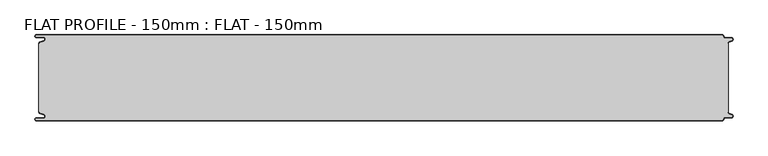
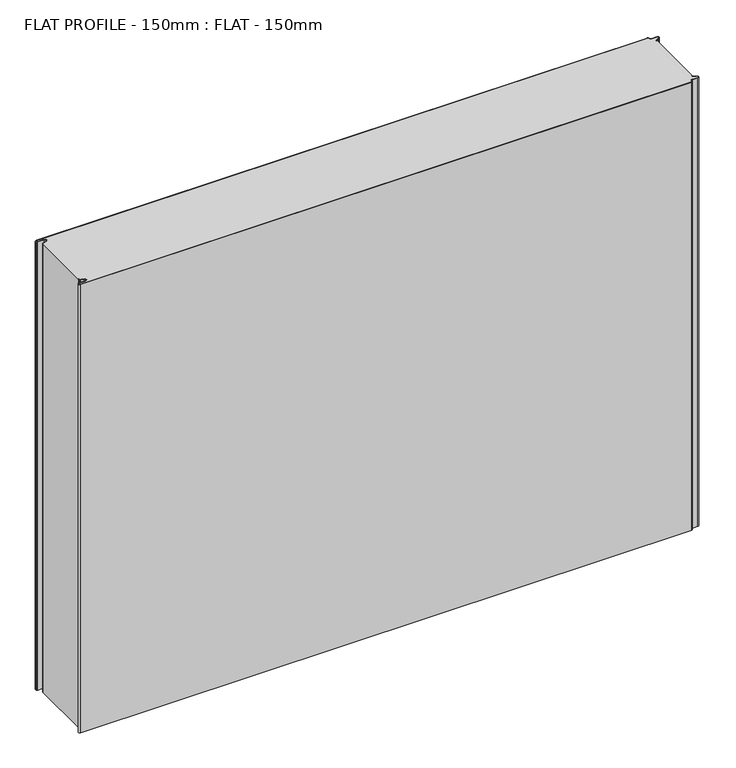
"""IFC4 building model written with IfcOpenShell, lengths in millimetres: proxy geometry, FLAT PROFILE - 150mm : FLAT - 150mm."""

from ifc_helpers import new_model, si_unit, point, frame_2d, origin, origin_with_axes, place, context, project, spatial, polyline, circle_curve, trimmed, segment, composite_curve, outline, extrude, source, transform, mapped, element, save


def flat_profile_150mm_flat_150mm_0049a792(model_context):
    return source(origin(), model_context, "Body", "SweptSolid", [
        extrude(outline(composite_curve([segment(polyline([(-591.3794419, 61.1128969), (-589.3904999, 61.9138856), (-583.8995097, 63.9124426)]), True, "CONTINUOUS"), segment(trimmed(circle_curve(frame_2d((-585.2882153, 67.3376495)), 3.6960175), [point((-583.8995097, 63.9124426))], [point((-584.9273771, 71.0160107))], True, "CARTESIAN"), True, "CONTINUOUS"), segment(polyline([(-584.9273771, 71.0160107), (-597.3733883, 71.0160107)]), True, "CONTINUOUS"), segment(trimmed(circle_curve(frame_2d((-597.4921978, 72.511298)), 1.5), [point((-597.3733883, 71.0160107))], [point((-597.3084562, 74.0000019))], False, "CARTESIAN"), True, "CONTINUOUS"), segment(polyline([(-597.3084562, 74.0000019), (596.902372, 74.0000019)]), True, "CONTINUOUS"), segment(trimmed(circle_curve(frame_2d((596.9047345, 72.4926459)), 1.5073578), [point((596.902372, 74.0000019))], [point((598.4115951, 72.4539337))], False, "CARTESIAN"), True, "CONTINUOUS"), segment(trimmed(circle_curve(frame_2d((601.9112919, 72.5000019)), 3.5), [point((598.4115951, 72.4539337))], [point((601.9112919, 69.0000019))], True, "CARTESIAN"), True, "CONTINUOUS"), segment(polyline([(601.9112919, 69.0000019), (612.3116271, 69.0000019)]), True, "CONTINUOUS"), segment(trimmed(circle_curve(frame_2d((612.3116271, 66.9000019)), 2.1), [point((612.3116271, 69.0000019))], [point((613.0435993, 64.9316988))], False, "CARTESIAN"), True, "CONTINUOUS"), segment(polyline([(613.0435993, 64.9316988), (610.7828028, 64.1063001), (607.8546835, 62.9154156)]), True, "CONTINUOUS"), segment(trimmed(circle_curve(frame_2d((608.9399875, 60.2468953)), 2.8807786), [point((607.8546835, 62.9154156))], [point((606.0682599, 60.475074))], True, "CARTESIAN"), True, "CONTINUOUS"), segment(polyline([(606.0682599, 60.475074), (606.0107004, 59.2522232), (607.0118076, 59.2522232), (607.0118076, -59.2522195), (606.0107004, -59.2522195), (606.0682599, -60.4750703)]), True, "CONTINUOUS"), segment(trimmed(circle_curve(frame_2d((608.9399875, -60.2468916)), 2.8807786), [point((606.0682599, -60.4750703))], [point((607.8546835, -62.9154119))], True, "CARTESIAN"), True, "CONTINUOUS"), segment(polyline([(607.8546835, -62.9154119), (610.7828028, -64.1062964), (613.0435993, -64.9316951)]), True, "CONTINUOUS"), segment(trimmed(circle_curve(frame_2d((612.3116271, -66.8999981)), 2.1), [point((613.0435993, -64.9316951))], [point((612.3116271, -68.9999981))], False, "CARTESIAN"), True, "CONTINUOUS"), segment(polyline([(612.3116271, -68.9999981), (601.9112919, -68.9999981)]), True, "CONTINUOUS"), segment(trimmed(circle_curve(frame_2d((601.9112919, -72.4999981)), 3.5), [point((601.9112919, -68.9999981))], [point((598.4115951, -72.45393))], True, "CARTESIAN"), True, "CONTINUOUS"), segment(trimmed(circle_curve(frame_2d((596.9047345, -72.4926422)), 1.5073578), [point((598.4115951, -72.45393))], [point((596.902372, -73.9999981))], False, "CARTESIAN"), True, "CONTINUOUS"), segment(polyline([(596.902372, -73.9999981), (-597.3084562, -73.9999981)]), True, "CONTINUOUS"), segment(trimmed(circle_curve(frame_2d((-597.4921978, -72.5112943)), 1.5), [point((-597.3084562, -73.9999981))], [point((-597.3733883, -71.016007))], False, "CARTESIAN"), True, "CONTINUOUS"), segment(polyline([(-597.3733883, -71.016007), (-584.9273771, -71.016007)]), True, "CONTINUOUS"), segment(trimmed(circle_curve(frame_2d((-585.2882153, -67.3376458)), 3.6960175), [point((-584.9273771, -71.016007))], [point((-583.8995097, -63.9124389))], True, "CARTESIAN"), True, "CONTINUOUS"), segment(polyline([(-583.8995097, -63.9124389), (-589.3904999, -61.9138819), (-591.3794419, -61.1128932)]), True, "CONTINUOUS"), segment(trimmed(circle_curve(frame_2d((-591.0050311, -60.1831907)), 1.0022625), [point((-591.3794419, -61.1128932))], [point((-591.9881924, -60.3779319))], False, "CARTESIAN"), True, "CONTINUOUS"), segment(polyline([(-591.9881924, -60.3779319), (-591.9881924, -59.2522214), (-592.9881924, -59.2522214), (-592.9881924, 59.2522214), (-591.9881924, 59.2522214), (-591.9881924, 60.3779357)]), True, "CONTINUOUS"), segment(trimmed(circle_curve(frame_2d((-591.0050311, 60.1831944)), 1.0022625), [point((-591.9881924, 60.3779357))], [point((-591.3794419, 61.1128969))], False, "CARTESIAN"), True, "CONTINUOUS")], self_intersect=False)), origin_with_axes(), (0.0, 0.0, 1.0), 926.3887137),
        extrude(outline(composite_curve([segment(trimmed(circle_curve(frame_2d((-591.0050311, 60.1831944)), 1.0022625), [point((-591.3794419, 61.1128969))], [point((-591.9881924, 60.3779357))], True, "CARTESIAN"), True, "CONTINUOUS"), segment(polyline([(-591.9881924, 60.3779357), (-591.9881924, 59.2522214), (-592.9881924, 59.2522214), (-592.9881924, 60.4591051)]), True, "CONTINUOUS"), segment(trimmed(circle_curve(frame_2d((-591.0050311, 60.1831944)), 2.0022625), [point((-592.9881924, 60.4591051))], [point((-591.7530074, 62.0405007))], False, "CARTESIAN"), True, "CONTINUOUS"), segment(polyline([(-591.7530074, 62.0405007), (-589.7483949, 62.8478003), (-584.2598383, 64.8454715)]), True, "CONTINUOUS"), segment(trimmed(circle_curve(frame_2d((-585.2882153, 67.3376495)), 2.6960175), [point((-584.2598383, 64.8454715))], [point((-584.9801705, 70.0160107))], True, "CARTESIAN"), True, "CONTINUOUS"), segment(polyline([(-584.9801705, 70.0160107), (-597.3387672, 70.0160107)]), True, "CONTINUOUS"), segment(trimmed(circle_curve(frame_2d((-597.4921978, 72.511298)), 2.5), [point((-597.3387672, 70.0160107))], [point((-597.2548091, 75.0000019))], False, "CARTESIAN"), True, "CONTINUOUS"), segment(polyline([(-597.2548091, 75.0000019), (596.9016875, 75.0000019)]), True, "CONTINUOUS"), segment(trimmed(circle_curve(frame_2d((596.9047345, 72.4926459)), 2.5073578), [point((596.9016875, 75.0000019))], [point((599.4117582, 72.4517176))], False, "CARTESIAN"), True, "CONTINUOUS"), segment(trimmed(circle_curve(frame_2d((601.9112919, 72.5000019)), 2.5), [point((599.4117582, 72.4517176))], [point((601.9112919, 70.0000019))], True, "CARTESIAN"), True, "CONTINUOUS"), segment(polyline([(601.9112919, 70.0000019), (612.3116271, 70.0000019)]), True, "CONTINUOUS"), segment(trimmed(circle_curve(frame_2d((612.3116271, 66.9000019)), 3.1), [point((612.3116271, 70.0000019))], [point((613.3890842, 63.9932707))], False, "CARTESIAN"), True, "CONTINUOUS"), segment(polyline([(613.3890842, 63.9932707), (611.1427659, 63.1731578), (608.2411829, 62.0549269)]), True, "CONTINUOUS"), segment(trimmed(circle_curve(frame_2d((609.0514567, 60.1592666)), 2.0615701), [point((608.2411829, 62.0549269))], [point((607.0118076, 60.4591051))], True, "CARTESIAN"), True, "CONTINUOUS"), segment(polyline([(607.0118076, 60.4591051), (607.0118076, 59.2522232), (606.0107004, 59.2522232), (606.0682599, 60.475074)]), True, "CONTINUOUS"), segment(trimmed(circle_curve(frame_2d((608.9399875, 60.2468953)), 2.8807786), [point((606.0682599, 60.475074))], [point((607.8546835, 62.9154156))], False, "CARTESIAN"), True, "CONTINUOUS"), segment(polyline([(607.8546835, 62.9154156), (610.7828028, 64.1063001), (613.0435993, 64.9316988)]), True, "CONTINUOUS"), segment(trimmed(circle_curve(frame_2d((612.3116271, 66.9000019)), 2.1), [point((613.0435993, 64.9316988))], [point((612.3116271, 69.0000019))], True, "CARTESIAN"), True, "CONTINUOUS"), segment(polyline([(612.3116271, 69.0000019), (601.9112919, 69.0000019)]), True, "CONTINUOUS"), segment(trimmed(circle_curve(frame_2d((601.9112919, 72.5000019)), 3.5), [point((601.9112919, 69.0000019))], [point((598.4115951, 72.4539337))], False, "CARTESIAN"), True, "CONTINUOUS"), segment(trimmed(circle_curve(frame_2d((596.9047345, 72.4926459)), 1.5073578), [point((598.4115951, 72.4539337))], [point((596.902372, 74.0000019))], True, "CARTESIAN"), True, "CONTINUOUS"), segment(polyline([(596.902372, 74.0000019), (-597.3084562, 74.0000019)]), True, "CONTINUOUS"), segment(trimmed(circle_curve(frame_2d((-597.4921978, 72.511298)), 1.5), [point((-597.3084562, 74.0000019))], [point((-597.3733883, 71.0160107))], True, "CARTESIAN"), True, "CONTINUOUS"), segment(polyline([(-597.3733883, 71.0160107), (-584.9273771, 71.0160107)]), True, "CONTINUOUS"), segment(trimmed(circle_curve(frame_2d((-585.2882153, 67.3376495)), 3.6960175), [point((-584.9273771, 71.0160107))], [point((-583.8995097, 63.9124426))], False, "CARTESIAN"), True, "CONTINUOUS"), segment(polyline([(-583.8995097, 63.9124426), (-589.3904999, 61.9138856), (-591.3794419, 61.1128969)]), True, "CONTINUOUS")], self_intersect=False)), origin_with_axes(), (0.0, 0.0, 1.0), 926.3887137),
        extrude(outline(composite_curve([segment(polyline([(-591.3794419, -61.1128932), (-589.3904999, -61.9138819), (-583.8995097, -63.9124389)]), True, "CONTINUOUS"), segment(trimmed(circle_curve(frame_2d((-585.2882153, -67.3376458)), 3.6960175), [point((-583.8995097, -63.9124389))], [point((-584.9273771, -71.016007))], False, "CARTESIAN"), True, "CONTINUOUS"), segment(polyline([(-584.9273771, -71.016007), (-597.3733883, -71.016007)]), True, "CONTINUOUS"), segment(trimmed(circle_curve(frame_2d((-597.4921978, -72.5112943)), 1.5), [point((-597.3733883, -71.016007))], [point((-597.3084562, -73.9999981))], True, "CARTESIAN"), True, "CONTINUOUS"), segment(polyline([(-597.3084562, -73.9999981), (596.902372, -73.9999981)]), True, "CONTINUOUS"), segment(trimmed(circle_curve(frame_2d((596.9047345, -72.4926422)), 1.5073578), [point((596.902372, -73.9999981))], [point((598.4115951, -72.45393))], True, "CARTESIAN"), True, "CONTINUOUS"), segment(trimmed(circle_curve(frame_2d((601.9112919, -72.4999981)), 3.5), [point((598.4115951, -72.45393))], [point((601.9112919, -68.9999981))], False, "CARTESIAN"), True, "CONTINUOUS"), segment(polyline([(601.9112919, -68.9999981), (612.3116271, -68.9999981)]), True, "CONTINUOUS"), segment(trimmed(circle_curve(frame_2d((612.3116271, -66.8999981)), 2.1), [point((612.3116271, -68.9999981))], [point((613.0435993, -64.9316951))], True, "CARTESIAN"), True, "CONTINUOUS"), segment(polyline([(613.0435993, -64.9316951), (610.7828028, -64.1062964), (607.8546835, -62.9154119)]), True, "CONTINUOUS"), segment(trimmed(circle_curve(frame_2d((608.9399875, -60.2468916)), 2.8807786), [point((607.8546835, -62.9154119))], [point((606.0682599, -60.4750703))], False, "CARTESIAN"), True, "CONTINUOUS"), segment(polyline([(606.0682599, -60.4750703), (606.0107004, -59.2522195), (607.0118076, -59.2522195), (607.0118076, -60.4591014)]), True, "CONTINUOUS"), segment(trimmed(circle_curve(frame_2d((609.0514567, -60.1592629)), 2.0615701), [point((607.0118076, -60.4591014))], [point((608.2411829, -62.0549231))], True, "CARTESIAN"), True, "CONTINUOUS"), segment(polyline([(608.2411829, -62.0549231), (611.1427659, -63.1731541), (613.3890842, -63.993267)]), True, "CONTINUOUS"), segment(trimmed(circle_curve(frame_2d((612.3116271, -66.8999981)), 3.1), [point((613.3890842, -63.993267))], [point((612.3116271, -69.9999981))], False, "CARTESIAN"), True, "CONTINUOUS"), segment(polyline([(612.3116271, -69.9999981), (601.9112919, -69.9999981)]), True, "CONTINUOUS"), segment(trimmed(circle_curve(frame_2d((601.9112919, -72.4999981)), 2.5), [point((601.9112919, -69.9999981))], [point((599.4117582, -72.4517139))], True, "CARTESIAN"), True, "CONTINUOUS"), segment(trimmed(circle_curve(frame_2d((596.9047345, -72.4926422)), 2.5073578), [point((599.4117582, -72.4517139))], [point((596.9016875, -74.9999981))], False, "CARTESIAN"), True, "CONTINUOUS"), segment(polyline([(596.9016875, -74.9999981), (-597.2548091, -74.9999981)]), True, "CONTINUOUS"), segment(trimmed(circle_curve(frame_2d((-597.4921978, -72.5112943)), 2.5), [point((-597.2548091, -74.9999981))], [point((-597.3387672, -70.016007))], False, "CARTESIAN"), True, "CONTINUOUS"), segment(polyline([(-597.3387672, -70.016007), (-584.9801705, -70.016007)]), True, "CONTINUOUS"), segment(trimmed(circle_curve(frame_2d((-585.2882153, -67.3376458)), 2.6960175), [point((-584.9801705, -70.016007))], [point((-584.2598383, -64.8454678))], True, "CARTESIAN"), True, "CONTINUOUS"), segment(polyline([(-584.2598383, -64.8454678), (-589.7483949, -62.8477966), (-591.7530074, -62.040497)]), True, "CONTINUOUS"), segment(trimmed(circle_curve(frame_2d((-591.0050311, -60.1831907)), 2.0022625), [point((-591.7530074, -62.040497))], [point((-592.9881924, -60.4591014))], False, "CARTESIAN"), True, "CONTINUOUS"), segment(polyline([(-592.9881924, -60.4591014), (-592.9881924, -59.2522177), (-591.9881924, -59.2522177), (-591.9881924, -60.3779319)]), True, "CONTINUOUS"), segment(trimmed(circle_curve(frame_2d((-591.0050311, -60.1831907)), 1.0022625), [point((-591.9881924, -60.3779319))], [point((-591.3794419, -61.1128932))], True, "CARTESIAN"), True, "CONTINUOUS")], self_intersect=False)), origin_with_axes(), (0.0, 0.0, 1.0), 926.3887137),
    ])


if __name__ == "__main__":
    model = new_model("IFC4")
    model_context = context("Model", 3, world=origin())
    ifc_project = project(units=[si_unit("LENGTHUNIT", "METRE", prefix="MILLI")], contexts=[model_context])
    site = spatial("IfcSite", under=ifc_project)
    building = spatial("IfcBuilding", under=site)
    placement = place(None, origin())
    flat_profile_150mm_flat_150mm_shape = flat_profile_150mm_flat_150mm_0049a792(model_context)
    element("IfcBuildingElementProxy", 1, Name="FLAT PROFILE - 150mm : FLAT - 150mm", ObjectType="FLAT PROFILE - 150mm : FLAT - 150mm", at=placement, inside=building, context=model_context, shape_type="MappedRepresentation", body=[
        mapped(flat_profile_150mm_flat_150mm_shape, transform((0.0, 0.0, 0.0), x_axis=(1.0, 0.0, 0.0), y_axis=(0.0, 1.0, 0.0), z_axis=(0.0, 0.0, 1.0))),
    ])
    save(model, "model.ifc")
